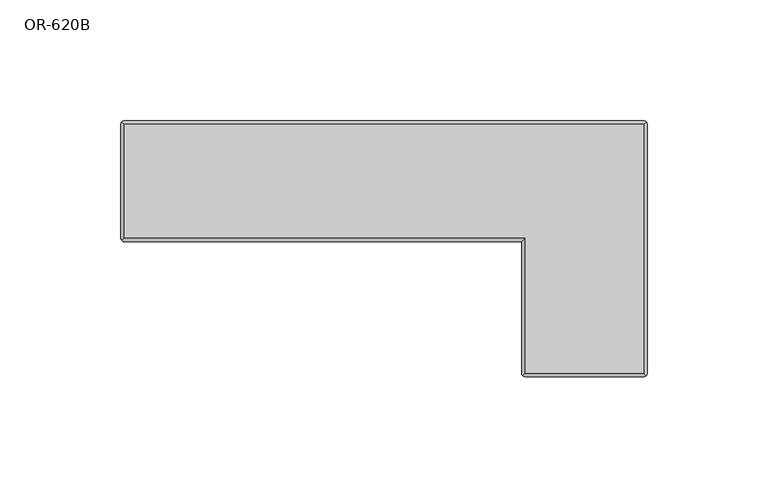
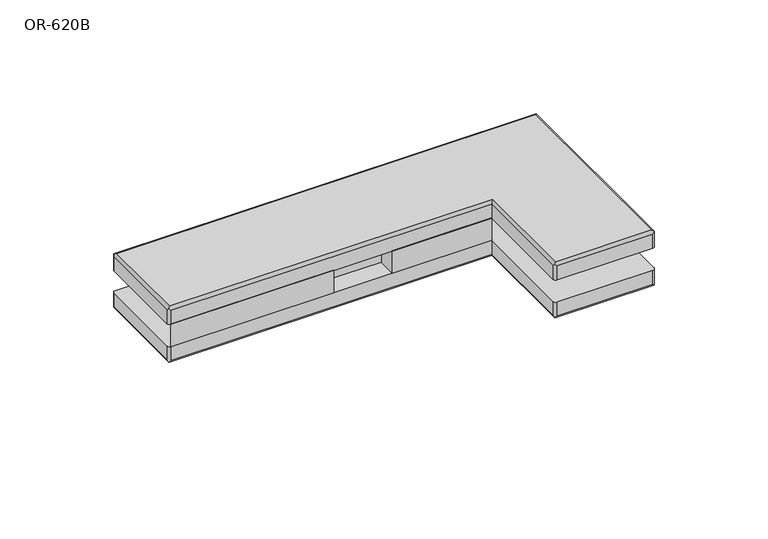
"""IFC4 building model written with IfcOpenShell, lengths in millimetres: proxy geometry, OR-620B."""

from ifc_helpers import new_model, si_unit, point, frame, frame_2d, origin, place, context, project, spatial, polyline, circle_curve, ellipse_curve, trimmed, segment, composite_curve, outline, extrude, source, transform, mapped, element, save
from ifc_brep_helpers import plane_surface, cylinder_surface, advanced_brep


def or_620b_7f58bd8d(model_context):
    return source(origin(), model_context, "Body", "SolidModel", [
        extrude(outline(composite_curve([segment(polyline([(-24.0, 11.5199676), (57.0, 11.5199676), (57.0, -25.0), (6.0, -25.0), (6.0, -15.0), (-24.0, -15.0), (-24.0, -25.0), (-107.882136, -25.0)]), True, "CONTINUOUS"), segment(trimmed(circle_curve(frame_2d((-108.74459, 33.5406963)), 58.547049), [point((-107.882136, -25.0))], [point((-69.1339955, -9.5726166))], True, "CARTESIAN"), True, "CONTINUOUS"), segment(trimmed(circle_curve(frame_2d((-13.1737193, -70.4813944)), 82.7129477), [point((-69.1339955, -9.5726166))], [point((-24.0, 11.5199676))], False, "CARTESIAN"), True, "CONTINUOUS")], self_intersect=False)), frame((0.0, 0.0, -12.0), z_axis=(0.0, 0.0, 1.0), x_axis=(1.0, 0.0, 0.0)), (0.0, 0.0, 1.0), 12.0),
        advanced_brep(
        [(57.0, -25.0, -12.0), (57.0, -79.5, -12.0), (58.5, -81.0, -12.0), (107.5, -81.0, -12.0), (109.0, -79.5, -12.0), (109.0, 23.5, -12.0), (107.5, 25.0, -12.0), (-107.5, 25.0, -12.0), (-109.0, 23.5, -12.0), (-109.0, -23.5, -12.0), (-107.5, -25.0, -12.0), (107.5, -79.5, -21.0), (58.5, -79.5, -21.0), (58.5, -23.5, -21.0), (-107.5, -23.5, -21.0), (-107.5, 23.5, -21.0), (107.5, 23.5, -21.0), (-107.5, -25.0, -19.5), (57.0, -25.0, -19.5), (-109.0, 23.5, -19.5), (-109.0, -23.5, -19.5), (107.5, 25.0, -19.5), (-107.5, 25.0, -19.5), (109.0, -79.5, -19.5), (109.0, 23.5, -19.5), (108.5606602, 24.5606602, -20.5606602), (107.5, -81.0, -19.5), (108.5606602, -80.5606602, -20.5606602), (-108.5606602, 24.5606602, -20.5606602), (-108.5606602, -24.5606602, -20.5606602), (58.5, -81.0, -19.5), (57.0, -79.5, -19.5), (57.4393398, -80.5606602, -20.5606602)],
        [
            (0, 1),
            (1, 2, circle_curve(frame((58.5, -79.5, -12.0), z_axis=(0.0, 0.0, 1.0), x_axis=(0.0, 1.0, 0.0)), 1.5)),
            (2, 3),
            (3, 4, circle_curve(frame((107.5, -79.5, -12.0), z_axis=(0.0, 0.0, 1.0), x_axis=(0.0, -1.0, 0.0)), 1.5)),
            (4, 5),
            (5, 6, circle_curve(frame((107.5, 23.5, -12.0), z_axis=(0.0, 0.0, 1.0), x_axis=(0.0, -1.0, 0.0)), 1.5)),
            (6, 7),
            (7, 8, circle_curve(frame((-107.5, 23.5, -12.0), z_axis=(0.0, 0.0, 1.0), x_axis=(0.0, -1.0, 0.0)), 1.5)),
            (8, 9),
            (9, 10, circle_curve(frame((-107.5, -23.5, -12.0), z_axis=(0.0, 0.0, 1.0), x_axis=(0.0, -1.0, 0.0)), 1.5)),
            (10, 0),
            (11, 12),
            (12, 13),
            (13, 14),
            (14, 15),
            (15, 16),
            (16, 11),
            (10, 17),
            (17, 18),
            (18, 0),
            (8, 19),
            (19, 20),
            (20, 9),
            (6, 21),
            (21, 22),
            (22, 7),
            (4, 23),
            (23, 24),
            (24, 5),
            (24, 25, ellipse_curve(frame((107.5, 23.5, -19.5), z_axis=(0.0, 0.7071067811865475, 0.7071067811865475), x_axis=(0.0, -0.7071067811865474, 0.7071067811865476)), 2.1213203, 1.5)),
            (25, 21, ellipse_curve(frame((107.5, 23.5, -19.5), z_axis=(0.7071067811865475, 0.0, 0.7071067811865475), x_axis=(-0.7071067811865474, 0.0, 0.7071067811865476)), 2.1213203, 1.5)),
            (3, 26),
            (26, 27, ellipse_curve(frame((107.5, -79.5, -19.5), z_axis=(0.7071067811865475, 0.0, 0.7071067811865475), x_axis=(-0.7071067811865474, 0.0, 0.7071067811865476)), 2.1213203, 1.5)),
            (27, 23, ellipse_curve(frame((107.5, -79.5, -19.5), z_axis=(0.0, -0.7071067811865475, 0.7071067811865475), x_axis=(0.0, 0.7071067811865474, 0.7071067811865476)), 2.1213203, 1.5)),
            (22, 28, ellipse_curve(frame((-107.5, 23.5, -19.5), z_axis=(-0.7071067811865475, 0.0, 0.7071067811865475), x_axis=(0.7071067811865474, 0.0, 0.7071067811865476)), 2.1213203, 1.5)),
            (28, 19, ellipse_curve(frame((-107.5, 23.5, -19.5), z_axis=(0.0, 0.7071067811865475, 0.7071067811865475), x_axis=(0.0, -0.7071067811865474, 0.7071067811865476)), 2.1213203, 1.5)),
            (20, 29, ellipse_curve(frame((-107.5, -23.5, -19.5), z_axis=(0.0, -0.7071067811865475, 0.7071067811865475), x_axis=(0.0, 0.7071067811865474, 0.7071067811865476)), 2.1213203, 1.5)),
            (29, 17, ellipse_curve(frame((-107.5, -23.5, -19.5), z_axis=(-0.7071067811865475, 0.0, 0.7071067811865475), x_axis=(0.7071067811865474, 0.0, 0.7071067811865476)), 2.1213203, 1.5)),
            (27, 11, ellipse_curve(frame((107.5, -79.5, -19.5), z_axis=(0.7071067811865464, 0.7071067811865488, 0.0), x_axis=(-0.7071067811865487, 0.7071067811865462, 0.0)), 2.1213203, 1.5)),
            (16, 25, ellipse_curve(frame((107.5, 23.5, -19.5), z_axis=(0.7071067811865476, -0.7071067811865475, 0.0), x_axis=(0.7071067811865475, 0.7071067811865475, 0.0)), 2.1213203, 1.5)),
            (15, 28, ellipse_curve(frame((-107.5, 23.5, -19.5), z_axis=(0.7071067811865475, 0.7071067811865476, 0.0), x_axis=(-0.7071067811865475, 0.7071067811865475, 0.0)), 2.1213203, 1.5)),
            (14, 29, ellipse_curve(frame((-107.5, -23.5, -19.5), z_axis=(-0.7071067811865476, 0.7071067811865475, 0.0), x_axis=(-0.7071067811865475, -0.7071067811865475, 0.0)), 2.1213203, 1.5)),
            (13, 18, ellipse_curve(frame((58.5, -23.5, -19.5), z_axis=(-0.7071067811865481, 0.7071067811865468, 0.0), x_axis=(0.707106781186547, 0.707106781186548, 0.0)), 2.1213203, 1.5)),
            (2, 30),
            (30, 26),
            (18, 31),
            (31, 1),
            (12, 32, ellipse_curve(frame((58.5, -79.5, -19.5), z_axis=(-0.7071067811865492, 0.7071067811865457, 0.0), x_axis=(-0.7071067811865455, -0.7071067811865495, 0.0)), 2.1213203, 1.5)),
            (32, 31, ellipse_curve(frame((58.5, -79.5, -19.5), z_axis=(0.0, 0.7071067811865475, -0.7071067811865475), x_axis=(0.0, -0.7071067811865476, -0.7071067811865474)), 2.1213203, 1.5)),
            (30, 32, ellipse_curve(frame((58.5, -79.5, -19.5), z_axis=(0.7071067811865475, 0.0, -0.7071067811865475), x_axis=(0.7071067811865476, 0.0, 0.7071067811865474)), 2.1213203, 1.5)),
        ],
        [
            plane_surface(frame((-109.0, -25.0, -12.0), z_axis=(0.0, 0.0, 1.0), x_axis=(-1.0, 0.0, 0.0))),
            plane_surface(frame((-109.0, -25.0, -21.0), z_axis=(0.0, 0.0, -1.0), x_axis=(1.0, 0.0, 0.0))),
            plane_surface(frame((57.0, -25.0, -12.0), z_axis=(0.0, -1.0, 0.0), x_axis=(0.0, 0.0, -1.0))),
            plane_surface(frame((-109.0, -25.0, -12.0), z_axis=(-1.0, 0.0, 0.0), x_axis=(0.0, 0.0, -1.0))),
            plane_surface(frame((-109.0, 25.0, -12.0), z_axis=(0.0, 1.0, 0.0), x_axis=(0.0, 0.0, -1.0))),
            plane_surface(frame((109.0, 25.0, -12.0), z_axis=(1.0, 0.0, 0.0), x_axis=(0.0, 0.0, -1.0))),
            cylinder_surface(frame((107.5, 23.5, 9.0), z_axis=(0.0, 0.0, 1.0), x_axis=(0.0, -1.0, 0.0)), 1.5),
            cylinder_surface(frame((107.5, -79.5, -12.0), z_axis=(0.0, 0.0, 1.0), x_axis=(0.0, -1.0, 0.0)), 1.5),
            cylinder_surface(frame((-107.5, 23.5, -12.0), z_axis=(0.0, 0.0, 1.0), x_axis=(0.0, -1.0, 0.0)), 1.5),
            cylinder_surface(frame((-107.5, -23.5, -12.0), z_axis=(0.0, 0.0, 1.0), x_axis=(0.0, -1.0, 0.0)), 1.5),
            cylinder_surface(frame((107.5, -81.0, -19.5), z_axis=(0.0, 1.0, 0.0), x_axis=(-1.0, 0.0, 0.0)), 1.5),
            cylinder_surface(frame((109.0, 23.5, -19.5), z_axis=(-1.0, 0.0, 0.0), x_axis=(0.0, -1.0, 0.0)), 1.5),
            cylinder_surface(frame((-107.5, 25.0, -19.5), z_axis=(0.0, -1.0, 0.0), x_axis=(1.0, 0.0, 0.0)), 1.5),
            cylinder_surface(frame((-109.0, -23.5, -19.5), z_axis=(1.0, 0.0, 0.0), x_axis=(0.0, 1.0, 0.0)), 1.5),
            plane_surface(frame((109.0, -81.0, -12.0), z_axis=(0.0, -1.0, 0.0), x_axis=(0.0, 0.0, -1.0))),
            plane_surface(frame((57.0, -81.0, -12.0), z_axis=(-1.0, 0.0, 0.0), x_axis=(0.0, 0.0, -1.0))),
            cylinder_surface(frame((58.5, -25.0, -19.5), z_axis=(0.0, -1.0, 0.0), x_axis=(1.0, 0.0, 0.0)), 1.5),
            cylinder_surface(frame((57.0, -79.5, -19.5), z_axis=(1.0, 0.0, 0.0), x_axis=(0.0, 1.0, 0.0)), 1.5),
            cylinder_surface(frame((58.5, -79.5, 9.0), z_axis=(0.0, 0.0, 1.0), x_axis=(0.0, 1.0, 0.0)), 1.5),
        ],
        [
            (0, [[1, 2, 3, 4, 5, 6, 7, 8, 9, 10, 11]]),
            (1, [[12, 13, 14, 15, 16, 17]]),
            (2, [[18, 19, 20, -11]]),
            (3, [[21, 22, 23, -9]]),
            (4, [[24, 25, 26, -7]]),
            (5, [[27, 28, 29, -5]]),
            (6, [[-29, 30, 31, -24, -6]]),
            (7, [[32, 33, 34, -27, -4]]),
            (8, [[-26, 35, 36, -21, -8]]),
            (9, [[-23, 37, 38, -18, -10]]),
            (10, [[-30, -28, -34, 39, -17, 40]]),
            (11, [[-16, 41, -35, -25, -31, -40]]),
            (12, [[-15, 42, -37, -22, -36, -41]]),
            (13, [[-19, -38, -42, -14, 43]]),
            (14, [[-3, 44, 45, -32]]),
            (15, [[46, 47, -1, -20]]),
            (16, [[-13, 48, 49, -46, -43]]),
            (17, [[-33, -45, 50, -48, -12, -39]]),
            (18, [[-47, -49, -50, -44, -2]]),
        ],
    ),
        advanced_brep(
        [(-107.5, 23.5, 9.0), (-107.5, -23.5, 9.0), (58.5, -23.5, 9.0), (58.5, -79.5, 9.0), (107.5, -79.5, 9.0), (107.5, 23.5, 9.0), (109.0, -79.5, 0.0), (107.5, -81.0, 0.0), (58.5, -81.0, 0.0), (57.0, -79.5, 0.0), (57.0, -25.0, 0.0), (-107.5, -25.0, 0.0), (-109.0, -23.5, 0.0), (-109.0, 23.5, 0.0), (-107.5, 25.0, 0.0), (107.5, 25.0, 0.0), (109.0, 23.5, 0.0), (57.0, -25.0, 7.5), (-107.5, -25.0, 7.5), (-109.0, -23.5, 7.5), (-109.0, 23.5, 7.5), (-107.5, 25.0, 7.5), (107.5, 25.0, 7.5), (109.0, 23.5, 7.5), (109.0, -79.5, 7.5), (108.5606602, 24.5606602, 8.5606602), (-108.5606602, 24.5606602, 8.5606602), (108.5606602, -80.5606602, 8.5606602), (-108.5606602, -24.5606602, 8.5606602), (107.5, -81.0, 7.5), (58.5, -81.0, 7.5), (57.0, -79.5, 7.5), (57.4393398, -80.5606602, 8.5606602)],
        [
            (0, 1),
            (1, 2),
            (2, 3),
            (3, 4),
            (4, 5),
            (5, 0),
            (6, 7, circle_curve(frame((107.5, -79.5, 0.0), z_axis=(0.0, 0.0, -1.0), x_axis=(0.0, -1.0, 0.0)), 1.5)),
            (7, 8),
            (8, 9, circle_curve(frame((58.5, -79.5, 0.0), z_axis=(0.0, 0.0, -1.0), x_axis=(0.0, 1.0, 0.0)), 1.5)),
            (9, 10),
            (10, 11),
            (11, 12, circle_curve(frame((-107.5, -23.5, 0.0), z_axis=(0.0, 0.0, -1.0), x_axis=(0.0, -1.0, 0.0)), 1.5)),
            (12, 13),
            (13, 14, circle_curve(frame((-107.5, 23.5, 0.0), z_axis=(0.0, 0.0, -1.0), x_axis=(0.0, -1.0, 0.0)), 1.5)),
            (14, 15),
            (15, 16, circle_curve(frame((107.5, 23.5, 0.0), z_axis=(0.0, 0.0, -1.0), x_axis=(0.0, -1.0, 0.0)), 1.5)),
            (16, 6),
            (17, 18),
            (18, 11),
            (10, 17),
            (12, 19),
            (19, 20),
            (20, 13),
            (14, 21),
            (21, 22),
            (22, 15),
            (16, 23),
            (23, 24),
            (24, 6),
            (5, 25, ellipse_curve(frame((107.5, 23.5, 7.5), z_axis=(-0.7071067811865475, 0.7071067811865475, 0.0), x_axis=(0.7071067811865476, 0.7071067811865474, 0.0)), 2.1213203, 1.5)),
            (25, 22, ellipse_curve(frame((107.5, 23.5, 7.5), z_axis=(-0.7071067811865475, 0.0, 0.7071067811865475), x_axis=(0.7071067811865476, 0.0, 0.7071067811865474)), 2.1213203, 1.5)),
            (21, 26, ellipse_curve(frame((-107.5, 23.5, 7.5), z_axis=(0.7071067811865475, 0.0, 0.7071067811865475), x_axis=(0.7071067811865476, 0.0, -0.7071067811865474)), 2.1213203, 1.5)),
            (26, 0, ellipse_curve(frame((-107.5, 23.5, 7.5), z_axis=(0.7071067811865475, 0.7071067811865475, 0.0), x_axis=(0.7071067811865477, -0.7071067811865474, 0.0)), 2.1213203, 1.5)),
            (4, 27, ellipse_curve(frame((107.5, -79.5, 7.5), z_axis=(0.7071067811865464, 0.7071067811865487, 0.0), x_axis=(0.7071067811865487, -0.7071067811865464, 0.0)), 2.1213203, 1.5)),
            (27, 24, ellipse_curve(frame((107.5, -79.5, 7.5), z_axis=(0.0, 0.7071067811865475, 0.7071067811865475), x_axis=(0.0, -0.7071067811865476, 0.7071067811865474)), 2.1213203, 1.5)),
            (23, 25, ellipse_curve(frame((107.5, 23.5, 7.5), z_axis=(0.0, -0.7071067811865475, 0.7071067811865475), x_axis=(0.0, -0.7071067811865476, -0.7071067811865474)), 2.1213203, 1.5)),
            (1, 28, ellipse_curve(frame((-107.5, -23.5, 7.5), z_axis=(0.7071067811865475, -0.7071067811865475, 0.0), x_axis=(-0.7071067811865476, -0.7071067811865474, 0.0)), 2.1213203, 1.5)),
            (28, 18, ellipse_curve(frame((-107.5, -23.5, 7.5), z_axis=(0.7071067811865475, 0.0, 0.7071067811865475), x_axis=(-0.7071067811865476, 0.0, 0.7071067811865474)), 2.1213203, 1.5)),
            (17, 2, ellipse_curve(frame((58.5, -23.5, 7.5), z_axis=(-0.7071067811865481, 0.7071067811865469, 0.0), x_axis=(-0.7071067811865469, -0.7071067811865481, 0.0)), 2.1213203, 1.5)),
            (26, 20, ellipse_curve(frame((-107.5, 23.5, 7.5), z_axis=(0.0, -0.7071067811865475, 0.7071067811865475), x_axis=(0.0, 0.7071067811865476, 0.7071067811865474)), 2.1213203, 1.5)),
            (19, 28, ellipse_curve(frame((-107.5, -23.5, 7.5), z_axis=(0.0, 0.7071067811865475, 0.7071067811865475), x_axis=(0.0, 0.7071067811865476, -0.7071067811865474)), 2.1213203, 1.5)),
            (27, 29, ellipse_curve(frame((107.5, -79.5, 7.5), z_axis=(0.7071067811865475, 0.0, -0.7071067811865475), x_axis=(0.7071067811865474, 0.0, 0.7071067811865476)), 2.1213203, 1.5)),
            (29, 7),
            (29, 30),
            (30, 8),
            (9, 31),
            (31, 17),
            (3, 32, ellipse_curve(frame((58.5, -79.5, 7.5), z_axis=(0.7071067811865492, -0.7071067811865457, 0.0), x_axis=(-0.7071067811865458, -0.7071067811865492, 0.0)), 2.1213203, 1.5)),
            (32, 30, ellipse_curve(frame((58.5, -79.5, 7.5), z_axis=(0.7071067811865475, 0.0, 0.7071067811865475), x_axis=(-0.7071067811865476, 0.0, 0.7071067811865474)), 2.1213203, 1.5)),
            (31, 32, ellipse_curve(frame((58.5, -79.5, 7.5), z_axis=(0.0, 0.7071067811865475, 0.7071067811865475), x_axis=(0.0, 0.7071067811865476, -0.7071067811865474)), 2.1213203, 1.5)),
        ],
        [
            plane_surface(frame((-109.0, -25.0, 9.0), z_axis=(0.0, 0.0, 1.0), x_axis=(-1.0, 0.0, 0.0))),
            plane_surface(frame((-109.0, -25.0, 0.0), z_axis=(0.0, 0.0, -1.0), x_axis=(1.0, 0.0, 0.0))),
            plane_surface(frame((57.0, -25.0, 9.0), z_axis=(0.0, -1.0, 0.0), x_axis=(0.0, 0.0, -1.0))),
            plane_surface(frame((-109.0, -25.0, 9.0), z_axis=(-1.0, 0.0, 0.0), x_axis=(0.0, 0.0, -1.0))),
            plane_surface(frame((-109.0, 25.0, 9.0), z_axis=(0.0, 1.0, 0.0), x_axis=(0.0, 0.0, -1.0))),
            plane_surface(frame((109.0, 25.0, 9.0), z_axis=(1.0, 0.0, 0.0), x_axis=(0.0, 0.0, -1.0))),
            cylinder_surface(frame((-109.0, 23.5, 7.5), z_axis=(1.0, 0.0, 0.0), x_axis=(0.0, -1.0, 0.0)), 1.5),
            cylinder_surface(frame((107.5, 25.0, 7.5), z_axis=(0.0, -1.0, 0.0), x_axis=(-1.0, 0.0, 0.0)), 1.5),
            cylinder_surface(frame((57.0, -23.5, 7.5), z_axis=(-1.0, 0.0, 0.0), x_axis=(0.0, 1.0, 0.0)), 1.5),
            cylinder_surface(frame((-107.5, -25.0, 7.5), z_axis=(0.0, 1.0, 0.0), x_axis=(1.0, 0.0, 0.0)), 1.5),
            cylinder_surface(frame((107.5, 23.5, 9.0), z_axis=(0.0, 0.0, 1.0), x_axis=(0.0, -1.0, 0.0)), 1.5),
            cylinder_surface(frame((107.5, -79.5, -12.0), z_axis=(0.0, 0.0, 1.0), x_axis=(0.0, -1.0, 0.0)), 1.5),
            cylinder_surface(frame((-107.5, 23.5, -12.0), z_axis=(0.0, 0.0, 1.0), x_axis=(0.0, -1.0, 0.0)), 1.5),
            cylinder_surface(frame((-107.5, -23.5, -12.0), z_axis=(0.0, 0.0, 1.0), x_axis=(0.0, -1.0, 0.0)), 1.5),
            plane_surface(frame((109.0, -81.0, 9.0), z_axis=(0.0, -1.0, 0.0), x_axis=(0.0, 0.0, -1.0))),
            plane_surface(frame((57.0, -81.0, 9.0), z_axis=(-1.0, 0.0, 0.0), x_axis=(0.0, 0.0, -1.0))),
            cylinder_surface(frame((109.0, -79.5, 7.5), z_axis=(-1.0, 0.0, 0.0), x_axis=(0.0, 1.0, 0.0)), 1.5),
            cylinder_surface(frame((58.5, -81.0, 7.5), z_axis=(0.0, 1.0, 0.0), x_axis=(1.0, 0.0, 0.0)), 1.5),
            cylinder_surface(frame((58.5, -79.5, 9.0), z_axis=(0.0, 0.0, 1.0), x_axis=(0.0, 1.0, 0.0)), 1.5),
        ],
        [
            (0, [[1, 2, 3, 4, 5, 6]]),
            (1, [[7, 8, 9, 10, 11, 12, 13, 14, 15, 16, 17]]),
            (2, [[18, 19, -11, 20]]),
            (3, [[21, 22, 23, -13]]),
            (4, [[24, 25, 26, -15]]),
            (5, [[27, 28, 29, -17]]),
            (6, [[30, 31, -25, 32, 33, -6]]),
            (7, [[34, 35, -28, 36, -30, -5]]),
            (8, [[-2, 37, 38, -18, 39]]),
            (9, [[-33, 40, -22, 41, -37, -1]]),
            (10, [[-26, -31, -36, -27, -16]]),
            (11, [[-29, -35, 42, 43, -7]]),
            (12, [[-23, -40, -32, -24, -14]]),
            (13, [[-19, -38, -41, -21, -12]]),
            (14, [[44, 45, -8, -43]]),
            (15, [[-10, 46, 47, -20]]),
            (16, [[48, 49, -44, -42, -34, -4]]),
            (17, [[-47, 50, -48, -3, -39]]),
            (18, [[-45, -49, -50, -46, -9]]),
        ],
    ),
    ])


if __name__ == "__main__":
    model = new_model("IFC4")
    model_context = context("Model", 3, world=origin())
    ifc_project = project(units=[si_unit("LENGTHUNIT", "METRE", prefix="MILLI")], contexts=[model_context])
    site = spatial("IfcSite", under=ifc_project)
    building = spatial("IfcBuilding", under=site)
    placement = place(None, origin())
    or_620b_shape = or_620b_7f58bd8d(model_context)
    element("IfcBuildingElementProxy", 1, Name="OR-620B", ObjectType="OR-620B", at=placement, inside=building, context=model_context, shape_type="MappedRepresentation", body=[
        mapped(or_620b_shape, transform((0.0, 0.0, 0.0), x_axis=(1.0, 0.0, 0.0), y_axis=(0.0, 1.0, 0.0), z_axis=(0.0, 0.0, 1.0))),
    ])
    save(model, "model.ifc")
